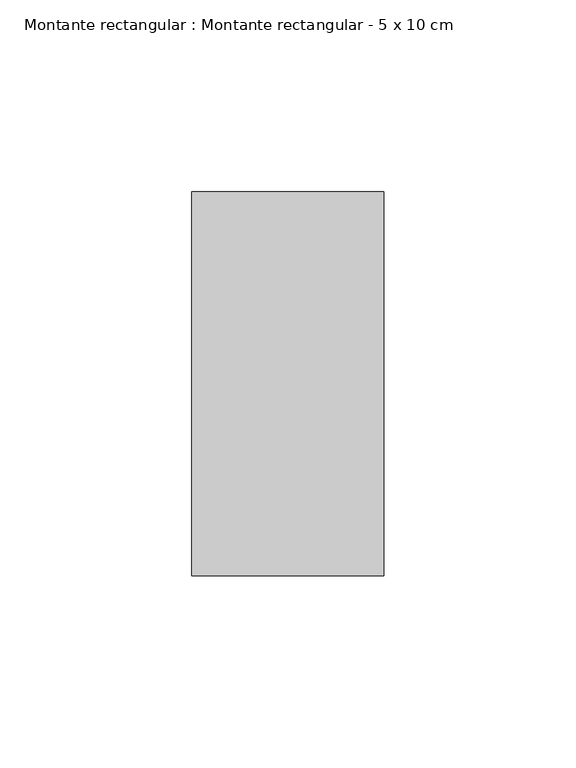
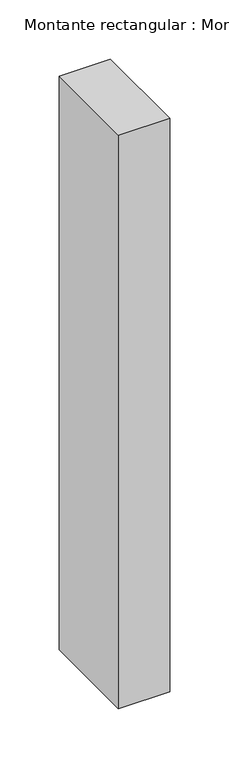
"""IFC4 building model written with IfcOpenShell, lengths in millimetres: member geometry, Montante rectangular : Montante rectangular - 5 x 10 cm."""

from ifc_helpers import new_model, si_unit, frame, origin, place, context, project, spatial, polyline, outline, extrude, source, transform, mapped, element, save


def montante_rectangular_montante_rectangular_5_x_10_cm_11950555(model_context):
    return source(origin(), model_context, "Body", "SweptSolid", [
        extrude(outline(polyline([(-50.0, 50.0), (0.0, 50.0), (0.0, -50.0), (-50.0, -50.0), (-50.0, 50.0)])), frame((0.0, 0.0, -591.5628148), z_axis=(0.0, 0.0, 1.0), x_axis=(1.0, 0.0, 0.0)), (0.0, 0.0, 1.0), 591.5628148),
    ])


if __name__ == "__main__":
    model = new_model("IFC4")
    model_context = context("Model", 3, world=origin())
    ifc_project = project(units=[si_unit("LENGTHUNIT", "METRE", prefix="MILLI")], contexts=[model_context])
    site = spatial("IfcSite", under=ifc_project)
    building = spatial("IfcBuilding", under=site)
    placement = place(None, origin())
    montante_rectangular_montante_rectangular_5_x_10_cm_shape = montante_rectangular_montante_rectangular_5_x_10_cm_11950555(model_context)
    element("IfcMember", 1, ObjectType="Montante rectangular : Montante rectangular - 5 x 10 cm", at=placement, inside=building, context=model_context, shape_type="MappedRepresentation", body=[
        mapped(montante_rectangular_montante_rectangular_5_x_10_cm_shape, transform((0.0, 0.0, 0.0), x_axis=(1.0, 0.0, 0.0), y_axis=(0.0, 1.0, 0.0), z_axis=(0.0, 0.0, 1.0))),
    ])
    save(model, "model.ifc")
